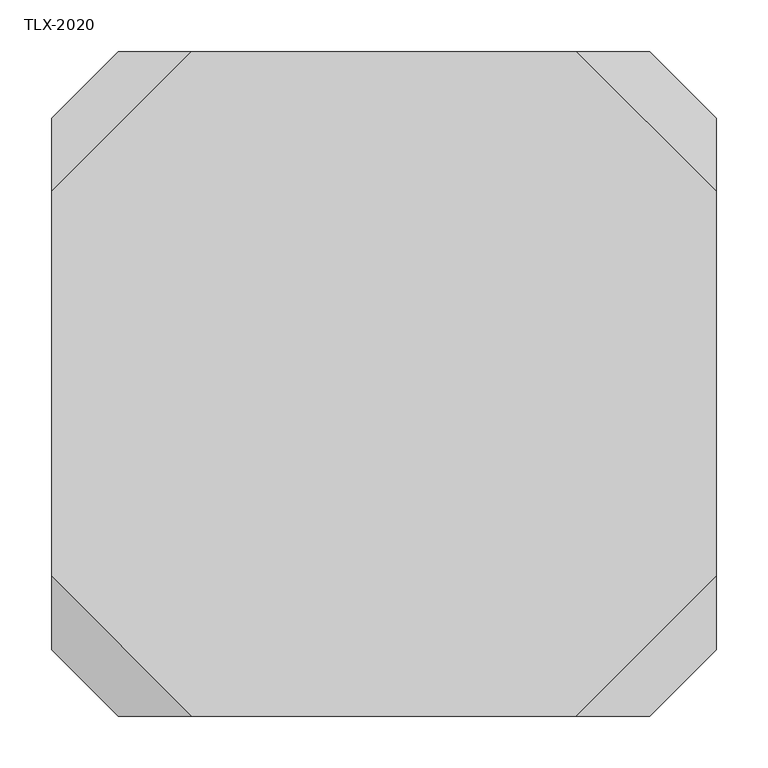
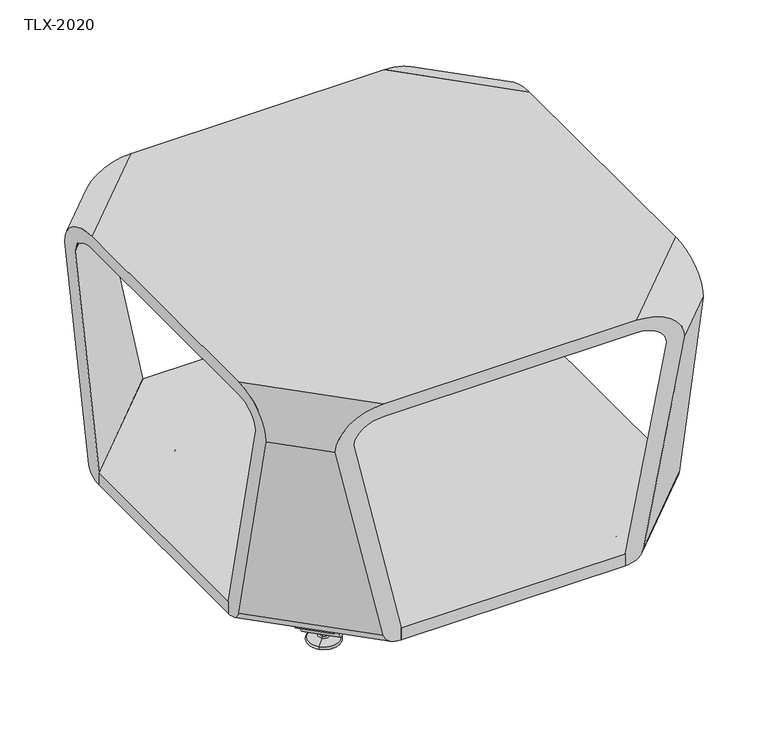
"""IFC4 building model written with IfcOpenShell, lengths in millimetres: furniture geometry, TLX-2020."""

from ifc_helpers import new_model, si_unit, point, frame, frame_2d, origin, place, context, project, spatial, polyline, circle_curve, ellipse_curve, trimmed, segment, composite_curve, outline, extrude, source, transform, mapped, element, save
from ifc_brep_helpers import plane_surface, cylinder_surface, revolved_surface, advanced_brep


def tlx_2020_4e69cbd5(model_context):
    return source(origin(), model_context, "Body", "SolidModel", [
        advanced_brep(
        [(239.0054742, 315.0121224, 7.8133431), (232.2702821, 308.2769303, 7.8133431), (229.9834824, 305.9901306, 7.8133431), (241.2922739, 317.2989221, 7.8133431), (220.1247494, 296.1313976, 4.0775), (251.1510069, 327.1576551, 4.0775), (220.4150529, 296.4217012, 0.0), (250.8607033, 326.8673516, 0.0), (235.6378781, 311.6445264, 0.0), (235.6378781, 311.6445264, 50.0000004), (232.2702821, 308.2769303, 50.0000004), (239.0054742, 315.0121224, 50.0000004)],
        [
            (0, 1, circle_curve(frame((235.6378781, 311.6445264, 7.8133431), z_axis=(0.0, 0.0, -1.0), x_axis=(-0.7071067811865458, -0.7071067811865493, 0.0)), 4.7625)),
            (1, 2),
            (2, 3, circle_curve(frame((235.6378781, 311.6445264, 7.8133431), z_axis=(0.0, 0.0, 1.0), x_axis=(-0.7071067811865458, -0.7071067811865493, 0.0)), 7.9965232)),
            (3, 0),
            (1, 0, circle_curve(frame((235.6378781, 311.6445264, 7.8133431), z_axis=(0.0, 0.0, -1.0), x_axis=(-0.7071067811865458, -0.7071067811865493, 0.0)), 4.7625)),
            (3, 2, circle_curve(frame((235.6378781, 311.6445264, 7.8133431), z_axis=(0.0, 0.0, 1.0), x_axis=(-0.7071067811865458, -0.7071067811865493, 0.0)), 7.9965232)),
            (2, 4),
            (4, 5, circle_curve(frame((235.6378781, 311.6445264, 4.0775), z_axis=(0.0, 0.0, 1.0), x_axis=(-0.7071067811865458, -0.7071067811865493, 0.0)), 21.9388771)),
            (5, 3),
            (5, 4, circle_curve(frame((235.6378781, 311.6445264, 4.0775), z_axis=(0.0, 0.0, 1.0), x_axis=(-0.7071067811865458, -0.7071067811865493, 0.0)), 21.9388771)),
            (4, 6, circle_curve(frame((220.5046942, 296.5113425, 2.0721829), z_axis=(0.7071067811865493, -0.7071067811865458, 0.0), x_axis=(0.7071067811865458, 0.7071067811865493, 0.0)), 2.0760571)),
            (6, 7, circle_curve(frame((235.6378781, 311.6445264, 0.0), z_axis=(0.0, 0.0, 1.0), x_axis=(-0.7071067811865458, -0.7071067811865493, 0.0)), 21.5283258)),
            (7, 5, circle_curve(frame((250.771062, 326.7777103, 2.0721829), z_axis=(0.707106781186547, -0.7071067811865481, 0.0), x_axis=(-0.7071067811865481, -0.707106781186547, 0.0)), 2.0760571)),
            (7, 6, circle_curve(frame((235.6378781, 311.6445264, 0.0), z_axis=(0.0, 0.0, 1.0), x_axis=(-0.7071067811865458, -0.7071067811865493, 0.0)), 21.5283258)),
            (6, 8),
            (8, 7),
            (9, 10),
            (10, 11, circle_curve(frame((235.6378781, 311.6445264, 50.0000004), z_axis=(0.0, 0.0, 1.0), x_axis=(-0.7071067811865458, -0.7071067811865493, 0.0)), 4.7625)),
            (11, 9),
            (11, 10, circle_curve(frame((235.6378781, 311.6445264, 50.0000004), z_axis=(0.0, 0.0, 1.0), x_axis=(-0.7071067811865458, -0.7071067811865493, 0.0)), 4.7625)),
            (10, 1),
            (0, 11),
        ],
        [
            plane_surface(frame((235.6378781, 311.6445264, 7.8133431), z_axis=(0.0, 0.0, 1.0), x_axis=(-0.7071067811865458, -0.7071067811865493, 0.0))),
            revolved_surface(polyline([(220.1247494, 296.1313976, 4.0775), (229.9834824, 305.9901306, 7.8133431)]), (235.6378781, 311.6445264, 0.0), (0.0, 0.0, 1.0)),
            revolved_surface(trimmed(ellipse_curve(frame((220.5046942, 296.5113425, 2.0721829), z_axis=(-0.7071067811865493, 0.7071067811865458, 0.0), x_axis=(0.7071067811865458, 0.7071067811865493, 0.0)), 2.0760571, 2.0760571), [point((220.4150529, 296.4217012, 0.0))], [point((220.1247494, 296.1313976, 4.0775))], True, "CARTESIAN"), (235.6378781, 311.6445264, 0.0), (0.0, 0.0, 1.0)),
            plane_surface(frame((235.6378781, 311.6445264, 0.0), z_axis=(0.0, 0.0, -1.0), x_axis=(-0.7071067811865458, -0.7071067811865493, 0.0))),
            plane_surface(frame((235.6378781, 311.6445264, 50.0000004), z_axis=(0.0, 0.0, 1.0), x_axis=(-0.7071067811865458, -0.7071067811865493, 0.0))),
            cylinder_surface(frame((235.6378781, 311.6445264, 0.0), z_axis=(0.0, 0.0, 1.0), x_axis=(-0.7071067811865458, -0.7071067811865493, 0.0)), 4.7625),
        ],
        [
            (0, [[1, 2, 3, 4]]),
            (0, [[5, -4, 6, -2]]),
            (1, [[-3, 7, 8, 9]]),
            (1, [[-6, -9, 10, -7]]),
            (2, [[-8, 11, 12, 13]]),
            (2, [[-10, -13, 14, -11]]),
            (3, [[-12, 15, 16]]),
            (3, [[-14, -16, -15]]),
            (4, [[17, 18, 19]]),
            (4, [[-19, 20, -17]]),
            (5, [[-18, 21, -1, 22]]),
            (5, [[-20, -22, -5, -21]]),
        ],
    ),
        extrude(outline(composite_curve([segment(polyline([(9.310002, 9.3100019), (9.310002, 19.1875394)]), True, "CONTINUOUS"), segment(trimmed(circle_curve(frame_2d((0.0, 19.1875394)), 9.310002), [point((9.310002, 19.1875394))], [point((0.7937553, 28.4636425))], True, "CARTESIAN"), True, "CONTINUOUS"), segment(polyline([(0.7937553, 28.4636425), (-6.9117032, 29.1229979)]), True, "CONTINUOUS"), segment(trimmed(circle_curve(frame_2d((-4.8241067, 43.9770199)), 15.000001), [point((-6.9117032, 29.1229979))], [point((-19.8241077, 43.9770199))], False, "CARTESIAN"), True, "CONTINUOUS"), segment(polyline([(-19.8241077, 43.9770199), (-19.8241077, 59.4425545), (-14.1341071, 59.4425545), (-14.1341071, 43.9770213)]), True, "CONTINUOUS"), segment(trimmed(circle_curve(frame_2d((-4.8241051, 43.9770213)), 9.310002), [point((-14.1341071, 43.9770213))], [point((-6.1198051, 34.7576234))], True, "CARTESIAN"), True, "CONTINUOUS"), segment(polyline([(-6.1198051, 34.7576234), (1.7775308, 34.0818491)]), True, "CONTINUOUS"), segment(trimmed(circle_curve(frame_2d((1.6e-06, 19.1875408)), 15.000001), [point((1.7775308, 34.0818491))], [point((15.0000026, 19.1875408))], False, "CARTESIAN"), True, "CONTINUOUS"), segment(polyline([(15.0000026, 19.1875408), (15.0000026, 9.3100005)]), True, "CONTINUOUS"), segment(trimmed(circle_curve(frame_2d((1.6e-06, 9.3100005)), 15.000001), [point((15.0000026, 9.3100005))], [point((1.7775308, -5.5843078))], False, "CARTESIAN"), True, "CONTINUOUS"), segment(polyline([(1.7775308, -5.5843078), (-6.1198051, -6.2600821)]), True, "CONTINUOUS"), segment(trimmed(circle_curve(frame_2d((-4.8241051, -15.47948)), 9.310002), [point((-6.1198051, -6.2600821))], [point((-14.1341071, -15.47948))], True, "CARTESIAN"), True, "CONTINUOUS"), segment(polyline([(-14.1341071, -15.47948), (-14.1341071, -30.9450132), (-19.8241077, -30.9450132), (-19.8241077, -15.4794786)]), True, "CONTINUOUS"), segment(trimmed(circle_curve(frame_2d((-4.8241067, -15.4794786)), 15.000001), [point((-19.8241077, -15.4794786))], [point((-6.9117032, -0.6254566))], False, "CARTESIAN"), True, "CONTINUOUS"), segment(polyline([(-6.9117032, -0.6254566), (0.7937553, 0.0338988)]), True, "CONTINUOUS"), segment(trimmed(circle_curve(frame_2d((0.0, 9.3100019)), 9.310002), [point((0.7937553, 0.0338988))], [point((9.310002, 9.3100019))], True, "CARTESIAN"), True, "CONTINUOUS")], self_intersect=False)), frame((263.6737927, 303.7594165, 30.0000023), z_axis=(-0.7071067811865467, 0.7071067811865483, 0.0), x_axis=(0.0, 0.0, -1.0)), (0.0, 0.0, 1.0), 50.8),
        advanced_brep(
        [(647.7690762, 317.2989221, 7.8133431), (659.0778677, 305.9901306, 7.8133431), (656.791068, 308.2769303, 7.8133431), (650.0558759, 315.0121224, 7.8133431), (637.9103432, 327.1576551, 4.0775), (668.9366007, 296.1313976, 4.0775), (638.2006468, 326.8673516, 0.0), (668.6462971, 296.4217012, 0.0), (653.4234719, 311.6445264, 0.0), (650.0558759, 315.0121224, 50.0000004), (656.791068, 308.2769303, 50.0000004), (653.4234719, 311.6445264, 50.0000004)],
        [
            (0, 1, circle_curve(frame((653.4234719, 311.6445264, 7.8133431), z_axis=(0.0, 0.0, 1.0), x_axis=(0.7071067811865458, -0.7071067811865493, 0.0)), 7.9965232)),
            (1, 2),
            (2, 3, circle_curve(frame((653.4234719, 311.6445264, 7.8133431), z_axis=(0.0, 0.0, -1.0), x_axis=(0.7071067811865458, -0.7071067811865493, 0.0)), 4.7625)),
            (3, 0),
            (1, 0, circle_curve(frame((653.4234719, 311.6445264, 7.8133431), z_axis=(0.0, 0.0, 1.0), x_axis=(0.7071067811865458, -0.7071067811865493, 0.0)), 7.9965232)),
            (3, 2, circle_curve(frame((653.4234719, 311.6445264, 7.8133431), z_axis=(0.0, 0.0, -1.0), x_axis=(0.7071067811865458, -0.7071067811865493, 0.0)), 4.7625)),
            (4, 5, circle_curve(frame((653.4234719, 311.6445264, 4.0775), z_axis=(0.0, 0.0, 1.0), x_axis=(0.7071067811865458, -0.7071067811865493, 0.0)), 21.9388771)),
            (5, 1),
            (0, 4),
            (5, 4, circle_curve(frame((653.4234719, 311.6445264, 4.0775), z_axis=(0.0, 0.0, 1.0), x_axis=(0.7071067811865458, -0.7071067811865493, 0.0)), 21.9388771)),
            (6, 7, circle_curve(frame((653.4234719, 311.6445264, 0.0), z_axis=(0.0, 0.0, 1.0), x_axis=(0.7071067811865458, -0.7071067811865493, 0.0)), 21.5283258)),
            (7, 5, circle_curve(frame((668.5566558, 296.5113425, 2.0721829), z_axis=(-0.7071067811865493, -0.7071067811865458, 0.0), x_axis=(-0.7071067811865458, 0.7071067811865493, 0.0)), 2.0760571)),
            (4, 6, circle_curve(frame((638.2902881, 326.7777103, 2.0721829), z_axis=(-0.707106781186547, -0.7071067811865481, 0.0), x_axis=(0.7071067811865481, -0.707106781186547, 0.0)), 2.0760571)),
            (7, 6, circle_curve(frame((653.4234719, 311.6445264, 0.0), z_axis=(0.0, 0.0, 1.0), x_axis=(0.7071067811865458, -0.7071067811865493, 0.0)), 21.5283258)),
            (8, 7),
            (6, 8),
            (9, 10, circle_curve(frame((653.4234719, 311.6445264, 50.0000004), z_axis=(0.0, 0.0, 1.0), x_axis=(0.7071067811865458, -0.7071067811865493, 0.0)), 4.7625)),
            (10, 11),
            (11, 9),
            (10, 9, circle_curve(frame((653.4234719, 311.6445264, 50.0000004), z_axis=(0.0, 0.0, 1.0), x_axis=(0.7071067811865458, -0.7071067811865493, 0.0)), 4.7625)),
            (2, 10),
            (9, 3),
        ],
        [
            plane_surface(frame((653.4234719, 311.6445264, 7.8133431), z_axis=(0.0, 0.0, 1.0), x_axis=(0.7071067811865458, -0.7071067811865493, 0.0))),
            revolved_surface(polyline([(659.0778677, 305.9901306, 7.8133431), (668.9366007, 296.1313976, 4.0775)]), (653.4234719, 311.6445264, 0.0), (0.0, 0.0, -1.0)),
            revolved_surface(trimmed(ellipse_curve(frame((668.5566558, 296.5113425, 2.0721829), z_axis=(0.7071067811865493, 0.7071067811865458, 0.0), x_axis=(-0.7071067811865458, 0.7071067811865493, 0.0)), 2.0760571, 2.0760571), [point((668.9366007, 296.1313976, 4.0775))], [point((668.6462971, 296.4217012, 0.0))], True, "CARTESIAN"), (653.4234719, 311.6445264, 0.0), (0.0, 0.0, -1.0)),
            plane_surface(frame((653.4234719, 311.6445264, 0.0), z_axis=(0.0, 0.0, -1.0), x_axis=(0.7071067811865458, -0.7071067811865493, 0.0))),
            plane_surface(frame((653.4234719, 311.6445264, 50.0000004), z_axis=(0.0, 0.0, 1.0), x_axis=(0.7071067811865458, -0.7071067811865493, 0.0))),
            cylinder_surface(frame((653.4234719, 311.6445264, 0.0), z_axis=(0.0, 0.0, -1.0), x_axis=(0.7071067811865458, -0.7071067811865493, 0.0)), 4.7625),
        ],
        [
            (0, [[1, 2, 3, 4]]),
            (0, [[5, -4, 6, -2]]),
            (1, [[7, 8, -1, 9]]),
            (1, [[10, -9, -5, -8]]),
            (2, [[11, 12, -7, 13]]),
            (2, [[14, -13, -10, -12]]),
            (3, [[15, -11, 16]]),
            (3, [[-16, -14, -15]]),
            (4, [[17, 18, 19]]),
            (4, [[20, -19, -18]]),
            (5, [[-3, 21, -17, 22]]),
            (5, [[-6, -22, -20, -21]]),
        ],
    ),
        extrude(outline(composite_curve([segment(trimmed(circle_curve(frame_2d((-42.6726288, 9.310002)), 9.310002), [point((-42.6726288, 0.0))], [point((-33.3965256, 8.5162467))], True, "CARTESIAN"), True, "CONTINUOUS"), segment(polyline([(-33.3965256, 8.5162467), (-32.7371703, 16.2217052)]), True, "CONTINUOUS"), segment(trimmed(circle_curve(frame_2d((-17.8831482, 14.1341087)), 15.000001), [point((-32.7371703, 16.2217052))], [point((-17.8831482, 29.1341097))], False, "CARTESIAN"), True, "CONTINUOUS"), segment(polyline([(-17.8831482, 29.1341097), (-2.4176136, 29.1341097), (-2.4176136, 23.4441091), (-17.8831468, 23.4441091)]), True, "CONTINUOUS"), segment(trimmed(circle_curve(frame_2d((-17.8831468, 14.1341071)), 9.310002), [point((-17.8831468, 23.4441091))], [point((-27.1025448, 15.4298071))], True, "CARTESIAN"), True, "CONTINUOUS"), segment(polyline([(-27.1025448, 15.4298071), (-27.7783191, 7.5324712)]), True, "CONTINUOUS"), segment(trimmed(circle_curve(frame_2d((-42.6726274, 9.3100004)), 15.000001), [point((-27.7783191, 7.5324712))], [point((-42.6726274, -5.6900006))], False, "CARTESIAN"), True, "CONTINUOUS"), segment(polyline([(-42.6726274, -5.6900006), (-52.5501676, -5.6900006)]), True, "CONTINUOUS"), segment(trimmed(circle_curve(frame_2d((-52.5501676, 9.3100004)), 15.000001), [point((-52.5501676, -5.6900006))], [point((-67.4444759, 7.5324712))], False, "CARTESIAN"), True, "CONTINUOUS"), segment(polyline([(-67.4444759, 7.5324712), (-68.1202502, 15.4298071)]), True, "CONTINUOUS"), segment(trimmed(circle_curve(frame_2d((-77.3396482, 14.1341071)), 9.310002), [point((-68.1202502, 15.4298071))], [point((-77.3396482, 23.4441091))], True, "CARTESIAN"), True, "CONTINUOUS"), segment(polyline([(-77.3396482, 23.4441091), (-92.8051814, 23.4441091), (-92.8051814, 29.1341097), (-77.3396468, 29.1341097)]), True, "CONTINUOUS"), segment(trimmed(circle_curve(frame_2d((-77.3396468, 14.1341087)), 15.000001), [point((-77.3396468, 29.1341097))], [point((-62.4856247, 16.2217052))], False, "CARTESIAN"), True, "CONTINUOUS"), segment(polyline([(-62.4856247, 16.2217052), (-61.8262693, 8.5162467)]), True, "CONTINUOUS"), segment(trimmed(circle_curve(frame_2d((-52.5501662, 9.310002)), 9.310002), [point((-61.8262693, 8.5162467))], [point((-52.5501662, 0.0))], True, "CARTESIAN"), True, "CONTINUOUS"), segment(polyline([(-52.5501662, 0.0), (-42.6726288, 0.0)]), True, "CONTINUOUS")], self_intersect=False)), frame((601.7966177, 327.3503562, 20.6900003), z_axis=(0.7071067811865468, 0.7071067811865483, 0.0), x_axis=(-0.7071067811865483, 0.7071067811865468, 0.0)), (0.0, 0.0, 1.0), 50.8),
        advanced_brep(
        [(650.0558759, 726.326946, 7.8133431), (656.791068, 733.0621381, 7.8133431), (659.0778677, 735.3489378, 7.8133431), (647.7690762, 724.0401463, 7.8133431), (668.9366007, 745.2076708, 4.0775), (637.9103432, 714.1814133, 4.0775), (668.6462971, 744.9173672, 0.0), (638.2006468, 714.4717169, 0.0), (653.4234719, 729.694542, 0.0), (653.4234719, 729.694542, 50.0000004), (656.791068, 733.0621381, 50.0000004), (650.0558759, 726.326946, 50.0000004)],
        [
            (0, 1, circle_curve(frame((653.4234719, 729.694542, 7.8133431), z_axis=(0.0, 0.0, -1.0), x_axis=(0.7071067811865458, 0.7071067811865493, 0.0)), 4.7625)),
            (1, 2),
            (2, 3, circle_curve(frame((653.4234719, 729.694542, 7.8133431), z_axis=(0.0, 0.0, 1.0), x_axis=(0.7071067811865458, 0.7071067811865493, 0.0)), 7.9965232)),
            (3, 0),
            (1, 0, circle_curve(frame((653.4234719, 729.694542, 7.8133431), z_axis=(0.0, 0.0, -1.0), x_axis=(0.7071067811865458, 0.7071067811865493, 0.0)), 4.7625)),
            (3, 2, circle_curve(frame((653.4234719, 729.694542, 7.8133431), z_axis=(0.0, 0.0, 1.0), x_axis=(0.7071067811865458, 0.7071067811865493, 0.0)), 7.9965232)),
            (2, 4),
            (4, 5, circle_curve(frame((653.4234719, 729.694542, 4.0775), z_axis=(0.0, 0.0, 1.0), x_axis=(0.7071067811865458, 0.7071067811865493, 0.0)), 21.9388771)),
            (5, 3),
            (5, 4, circle_curve(frame((653.4234719, 729.694542, 4.0775), z_axis=(0.0, 0.0, 1.0), x_axis=(0.7071067811865458, 0.7071067811865493, 0.0)), 21.9388771)),
            (4, 6, circle_curve(frame((668.5566558, 744.8277259, 2.0721829), z_axis=(-0.7071067811865493, 0.7071067811865458, 0.0), x_axis=(-0.7071067811865458, -0.7071067811865493, 0.0)), 2.0760571)),
            (6, 7, circle_curve(frame((653.4234719, 729.694542, 0.0), z_axis=(0.0, 0.0, 1.0), x_axis=(0.7071067811865458, 0.7071067811865493, 0.0)), 21.5283258)),
            (7, 5, circle_curve(frame((638.2902881, 714.5613582, 2.0721829), z_axis=(-0.707106781186547, 0.7071067811865481, 0.0), x_axis=(0.7071067811865481, 0.707106781186547, 0.0)), 2.0760571)),
            (7, 6, circle_curve(frame((653.4234719, 729.694542, 0.0), z_axis=(0.0, 0.0, 1.0), x_axis=(0.7071067811865458, 0.7071067811865493, 0.0)), 21.5283258)),
            (6, 8),
            (8, 7),
            (9, 10),
            (10, 11, circle_curve(frame((653.4234719, 729.694542, 50.0000004), z_axis=(0.0, 0.0, 1.0), x_axis=(0.7071067811865458, 0.7071067811865493, 0.0)), 4.7625)),
            (11, 9),
            (11, 10, circle_curve(frame((653.4234719, 729.694542, 50.0000004), z_axis=(0.0, 0.0, 1.0), x_axis=(0.7071067811865458, 0.7071067811865493, 0.0)), 4.7625)),
            (10, 1),
            (0, 11),
        ],
        [
            plane_surface(frame((653.4234719, 729.694542, 7.8133431), z_axis=(0.0, 0.0, 1.0), x_axis=(0.7071067811865458, 0.7071067811865493, 0.0))),
            revolved_surface(polyline([(668.9366007, 745.2076708, 4.0775), (659.0778677, 735.3489378, 7.8133431)]), (653.4234719, 729.694542, 0.0), (0.0, 0.0, 1.0)),
            revolved_surface(trimmed(ellipse_curve(frame((668.5566558, 744.8277259, 2.0721829), z_axis=(0.7071067811865493, -0.7071067811865458, 0.0), x_axis=(-0.7071067811865458, -0.7071067811865493, 0.0)), 2.0760571, 2.0760571), [point((668.6462971, 744.9173672, 0.0))], [point((668.9366007, 745.2076708, 4.0775))], True, "CARTESIAN"), (653.4234719, 729.694542, 0.0), (0.0, 0.0, 1.0)),
            plane_surface(frame((653.4234719, 729.694542, 0.0), z_axis=(0.0, 0.0, -1.0), x_axis=(0.7071067811865458, 0.7071067811865493, 0.0))),
            plane_surface(frame((653.4234719, 729.694542, 50.0000004), z_axis=(0.0, 0.0, 1.0), x_axis=(0.7071067811865458, 0.7071067811865493, 0.0))),
            cylinder_surface(frame((653.4234719, 729.694542, 0.0), z_axis=(0.0, 0.0, 1.0), x_axis=(0.7071067811865458, 0.7071067811865493, 0.0)), 4.7625),
        ],
        [
            (0, [[1, 2, 3, 4]]),
            (0, [[5, -4, 6, -2]]),
            (1, [[-3, 7, 8, 9]]),
            (1, [[-6, -9, 10, -7]]),
            (2, [[-8, 11, 12, 13]]),
            (2, [[-10, -13, 14, -11]]),
            (3, [[-12, 15, 16]]),
            (3, [[-14, -16, -15]]),
            (4, [[17, 18, 19]]),
            (4, [[-19, 20, -17]]),
            (5, [[-18, 21, -1, 22]]),
            (5, [[-20, -22, -5, -21]]),
        ],
    ),
        extrude(outline(composite_curve([segment(trimmed(circle_curve(frame_2d((0.0, 9.310002)), 9.310002), [point((-9.310002, 9.310002))], [point((-0.7937553, 0.0338988))], True, "CARTESIAN"), True, "CONTINUOUS"), segment(polyline([(-0.7937553, 0.0338988), (6.9117032, -0.6254565)]), True, "CONTINUOUS"), segment(trimmed(circle_curve(frame_2d((4.8241067, -15.4794786)), 15.000001), [point((6.9117032, -0.6254565))], [point((19.8241077, -15.4794786))], False, "CARTESIAN"), True, "CONTINUOUS"), segment(polyline([(19.8241077, -15.4794786), (19.8241077, -30.9450132), (14.1341071, -30.9450132), (14.1341071, -15.47948)]), True, "CONTINUOUS"), segment(trimmed(circle_curve(frame_2d((4.8241051, -15.47948)), 9.310002), [point((14.1341071, -15.47948))], [point((6.1198051, -6.260082))], True, "CARTESIAN"), True, "CONTINUOUS"), segment(polyline([(6.1198051, -6.260082), (-1.7775308, -5.5843077)]), True, "CONTINUOUS"), segment(trimmed(circle_curve(frame_2d((-1.6e-06, 9.3100007)), 15.000001), [point((-1.7775308, -5.5843077))], [point((-15.0000026, 9.3100007))], False, "CARTESIAN"), True, "CONTINUOUS"), segment(polyline([(-15.0000026, 9.3100007), (-15.0000026, 19.1875408)]), True, "CONTINUOUS"), segment(trimmed(circle_curve(frame_2d((-1.6e-06, 19.1875408)), 15.000001), [point((-15.0000026, 19.1875408))], [point((-1.7775308, 34.0818492))], False, "CARTESIAN"), True, "CONTINUOUS"), segment(polyline([(-1.7775308, 34.0818492), (6.1198051, 34.7576234)]), True, "CONTINUOUS"), segment(trimmed(circle_curve(frame_2d((4.8241051, 43.9770214)), 9.310002), [point((6.1198051, 34.7576234))], [point((14.1341071, 43.9770214))], True, "CARTESIAN"), True, "CONTINUOUS"), segment(polyline([(14.1341071, 43.9770214), (14.1341071, 59.4425547), (19.8241077, 59.4425547), (19.8241077, 43.9770201)]), True, "CONTINUOUS"), segment(trimmed(circle_curve(frame_2d((4.8241067, 43.9770201)), 15.000001), [point((19.8241077, 43.9770201))], [point((6.9117032, 29.1229979))], False, "CARTESIAN"), True, "CONTINUOUS"), segment(polyline([(6.9117032, 29.1229979), (-0.7937553, 28.4636426)]), True, "CONTINUOUS"), segment(trimmed(circle_curve(frame_2d((0.0, 19.1875394)), 9.310002), [point((-0.7937553, 28.4636426))], [point((-9.310002, 19.1875394))], True, "CARTESIAN"), True, "CONTINUOUS"), segment(polyline([(-9.310002, 19.1875394), (-9.310002, 9.310002)]), True, "CONTINUOUS")], self_intersect=False)), frame((661.3085818, 701.6586274, 30.0000023), z_axis=(-0.7071067811865467, 0.7071067811865483, 0.0), x_axis=(0.0, 0.0, 1.0)), (0.0, 0.0, 1.0), 50.8),
        advanced_brep(
        [(241.2922739, 724.0401463, 7.8133431), (229.9834824, 735.3489378, 7.8133431), (232.2702821, 733.0621381, 7.8133431), (239.0054742, 726.326946, 7.8133431), (251.1510069, 714.1814133, 4.0775), (220.1247494, 745.2076708, 4.0775), (250.8607033, 714.4717169, 0.0), (220.4150529, 744.9173672, 0.0), (235.6378781, 729.694542, 0.0), (239.0054742, 726.326946, 50.0000004), (232.2702821, 733.0621381, 50.0000004), (235.6378781, 729.694542, 50.0000004)],
        [
            (0, 1, circle_curve(frame((235.6378781, 729.694542, 7.8133431), z_axis=(0.0, 0.0, 1.0), x_axis=(-0.7071067811865458, 0.7071067811865493, 0.0)), 7.9965232)),
            (1, 2),
            (2, 3, circle_curve(frame((235.6378781, 729.694542, 7.8133431), z_axis=(0.0, 0.0, -1.0), x_axis=(-0.7071067811865458, 0.7071067811865493, 0.0)), 4.7625)),
            (3, 0),
            (1, 0, circle_curve(frame((235.6378781, 729.694542, 7.8133431), z_axis=(0.0, 0.0, 1.0), x_axis=(-0.7071067811865458, 0.7071067811865493, 0.0)), 7.9965232)),
            (3, 2, circle_curve(frame((235.6378781, 729.694542, 7.8133431), z_axis=(0.0, 0.0, -1.0), x_axis=(-0.7071067811865458, 0.7071067811865493, 0.0)), 4.7625)),
            (4, 5, circle_curve(frame((235.6378781, 729.694542, 4.0775), z_axis=(0.0, 0.0, 1.0), x_axis=(-0.7071067811865458, 0.7071067811865493, 0.0)), 21.9388771)),
            (5, 1),
            (0, 4),
            (5, 4, circle_curve(frame((235.6378781, 729.694542, 4.0775), z_axis=(0.0, 0.0, 1.0), x_axis=(-0.7071067811865458, 0.7071067811865493, 0.0)), 21.9388771)),
            (6, 7, circle_curve(frame((235.6378781, 729.694542, 0.0), z_axis=(0.0, 0.0, 1.0), x_axis=(-0.7071067811865458, 0.7071067811865493, 0.0)), 21.5283258)),
            (7, 5, circle_curve(frame((220.5046942, 744.8277259, 2.0721829), z_axis=(0.7071067811865493, 0.7071067811865458, 0.0), x_axis=(0.7071067811865458, -0.7071067811865493, 0.0)), 2.0760571)),
            (4, 6, circle_curve(frame((250.771062, 714.5613582, 2.0721829), z_axis=(0.707106781186547, 0.7071067811865481, 0.0), x_axis=(-0.7071067811865481, 0.707106781186547, 0.0)), 2.0760571)),
            (7, 6, circle_curve(frame((235.6378781, 729.694542, 0.0), z_axis=(0.0, 0.0, 1.0), x_axis=(-0.7071067811865458, 0.7071067811865493, 0.0)), 21.5283258)),
            (8, 7),
            (6, 8),
            (9, 10, circle_curve(frame((235.6378781, 729.694542, 50.0000004), z_axis=(0.0, 0.0, 1.0), x_axis=(-0.7071067811865458, 0.7071067811865493, 0.0)), 4.7625)),
            (10, 11),
            (11, 9),
            (10, 9, circle_curve(frame((235.6378781, 729.694542, 50.0000004), z_axis=(0.0, 0.0, 1.0), x_axis=(-0.7071067811865458, 0.7071067811865493, 0.0)), 4.7625)),
            (2, 10),
            (9, 3),
        ],
        [
            plane_surface(frame((235.6378781, 729.694542, 7.8133431), z_axis=(0.0, 0.0, 1.0), x_axis=(-0.7071067811865458, 0.7071067811865493, 0.0))),
            revolved_surface(polyline([(229.9834824, 735.3489378, 7.8133431), (220.1247494, 745.2076708, 4.0775)]), (235.6378781, 729.694542, 0.0), (0.0, 0.0, -1.0)),
            revolved_surface(trimmed(ellipse_curve(frame((220.5046942, 744.8277259, 2.0721829), z_axis=(-0.7071067811865493, -0.7071067811865458, 0.0), x_axis=(0.7071067811865458, -0.7071067811865493, 0.0)), 2.0760571, 2.0760571), [point((220.1247494, 745.2076708, 4.0775))], [point((220.4150529, 744.9173672, 0.0))], True, "CARTESIAN"), (235.6378781, 729.694542, 0.0), (0.0, 0.0, -1.0)),
            plane_surface(frame((235.6378781, 729.694542, 0.0), z_axis=(0.0, 0.0, -1.0), x_axis=(-0.7071067811865458, 0.7071067811865493, 0.0))),
            plane_surface(frame((235.6378781, 729.694542, 50.0000004), z_axis=(0.0, 0.0, 1.0), x_axis=(-0.7071067811865458, 0.7071067811865493, 0.0))),
            cylinder_surface(frame((235.6378781, 729.694542, 0.0), z_axis=(0.0, 0.0, -1.0), x_axis=(-0.7071067811865458, 0.7071067811865493, 0.0)), 4.7625),
        ],
        [
            (0, [[1, 2, 3, 4]]),
            (0, [[5, -4, 6, -2]]),
            (1, [[7, 8, -1, 9]]),
            (1, [[10, -9, -5, -8]]),
            (2, [[11, 12, -7, 13]]),
            (2, [[14, -13, -10, -12]]),
            (3, [[15, -11, 16]]),
            (3, [[-16, -14, -15]]),
            (4, [[17, 18, 19]]),
            (4, [[20, -19, -18]]),
            (5, [[-3, 21, -17, 22]]),
            (5, [[-6, -22, -20, -21]]),
        ],
    ),
        extrude(outline(composite_curve([segment(polyline([(42.6726288, 0.0), (52.5501662, 0.0)]), True, "CONTINUOUS"), segment(trimmed(circle_curve(frame_2d((52.5501662, 9.310002)), 9.310002), [point((52.5501662, 0.0))], [point((61.8262693, 8.5162467))], True, "CARTESIAN"), True, "CONTINUOUS"), segment(polyline([(61.8262693, 8.5162467), (62.4856247, 16.2217052)]), True, "CONTINUOUS"), segment(trimmed(circle_curve(frame_2d((77.3396468, 14.1341087)), 15.000001), [point((62.4856247, 16.2217052))], [point((77.3396468, 29.1341097))], False, "CARTESIAN"), True, "CONTINUOUS"), segment(polyline([(77.3396468, 29.1341097), (92.8051814, 29.1341097), (92.8051814, 23.4441091), (77.3396482, 23.4441091)]), True, "CONTINUOUS"), segment(trimmed(circle_curve(frame_2d((77.3396482, 14.1341071)), 9.310002), [point((77.3396482, 23.4441091))], [point((68.1202502, 15.4298071))], True, "CARTESIAN"), True, "CONTINUOUS"), segment(polyline([(68.1202502, 15.4298071), (67.444476, 7.5324712)]), True, "CONTINUOUS"), segment(trimmed(circle_curve(frame_2d((52.5501675, 9.3100004)), 15.000001), [point((67.444476, 7.5324712))], [point((52.5501675, -5.6900006))], False, "CARTESIAN"), True, "CONTINUOUS"), segment(polyline([(52.5501675, -5.6900006), (42.6726274, -5.6900006)]), True, "CONTINUOUS"), segment(trimmed(circle_curve(frame_2d((42.6726274, 9.3100004)), 15.000001), [point((42.6726274, -5.6900006))], [point((27.7783191, 7.5324712))], False, "CARTESIAN"), True, "CONTINUOUS"), segment(polyline([(27.7783191, 7.5324712), (27.1025448, 15.4298071)]), True, "CONTINUOUS"), segment(trimmed(circle_curve(frame_2d((17.8831468, 14.1341071)), 9.310002), [point((27.1025448, 15.4298071))], [point((17.8831468, 23.4441091))], True, "CARTESIAN"), True, "CONTINUOUS"), segment(polyline([(17.8831468, 23.4441091), (2.4176135, 23.4441091), (2.4176135, 29.1341097), (17.8831482, 29.1341097)]), True, "CONTINUOUS"), segment(trimmed(circle_curve(frame_2d((17.8831482, 14.1341087)), 15.000001), [point((17.8831482, 29.1341097))], [point((32.7371703, 16.2217052))], False, "CARTESIAN"), True, "CONTINUOUS"), segment(polyline([(32.7371703, 16.2217052), (33.3965256, 8.5162467)]), True, "CONTINUOUS"), segment(trimmed(circle_curve(frame_2d((42.6726288, 9.310002)), 9.310002), [point((33.3965256, 8.5162467))], [point((42.6726288, 0.0))], True, "CARTESIAN"), True, "CONTINUOUS")], self_intersect=False)), frame((251.3437079, 678.0676878, 20.6900003), z_axis=(0.7071067811865468, 0.7071067811865483, 0.0), x_axis=(-0.7071067811865483, 0.7071067811865468, 0.0)), (0.0, 0.0, 1.0), 50.8),
        extrude(outline(polyline([(123.855675, 689.2395615), (275.9606478, 841.3445342), (613.1005146, 841.3445342), (765.205675, 689.2393738), (765.205675, 352.0996981), (613.1005112, 199.9945342), (284.7619726, 199.9945342), (123.855675, 360.9008317), (123.855675, 689.2395615)])), frame((0.0, 0.0, 50.0000004), z_axis=(0.0, 0.0, 1.0), x_axis=(1.0, 0.0, 0.0)), (0.0, 0.0, 1.0), 18.9999985),
        advanced_brep(
        [(765.205675, 334.8572138, 406.0000002), (765.205675, 291.0478966, 376.1711523), (674.1523126, 199.9945342, 376.1711523), (630.3429954, 199.9945342, 406.0000002), (765.205675, 352.0995843, 68.9999989), (613.1006249, 199.9945342, 68.9999989), (765.205675, 352.0996207, 50.0000004), (613.1005886, 199.9945342, 50.0000004), (765.205675, 325.4910341, 66.3557108), (639.7091752, 199.9945342, 66.3557108), (765.205675, 264.1464863, 375.0000029), (701.0537229, 199.9945342, 375.0000029), (765.205675, 334.8572138, 425.45), (630.3429954, 199.9945342, 425.45), (258.7183546, 199.9945342, 425.45), (188.0076271, 199.9945342, 375.0000029), (258.153386, 199.9945342, 66.3557108), (284.7619726, 199.9945342, 49.9999749), (284.7619726, 199.9945342, 68.9999989), (214.9090374, 199.9945342, 376.1711523), (258.7183546, 199.9945342, 406.0000002), (765.205675, 706.4818546, 406.0000002), (765.205675, 750.2911718, 376.1711523), (765.205675, 689.2394841, 68.9999989), (765.205675, 689.2394478, 50.0000004), (765.205675, 715.8480344, 66.3557108), (765.205675, 777.1925821, 375.0000029), (765.205675, 706.4818546, 425.45), (123.855675, 291.0478966, 376.1711523), (123.855675, 334.8572138, 406.0000002), (123.855675, 360.9008317, 68.9999989), (123.855675, 360.9008317, 49.9999749), (123.855675, 334.2922451, 66.3557108), (123.855675, 264.1464863, 375.0000029), (123.855675, 334.8572138, 425.45), (123.855675, 706.4818546, 425.45), (123.855675, 777.1925821, 375.0000029), (123.855675, 715.8480344, 66.3557108), (123.855675, 689.2394478, 50.0000004), (123.855675, 689.2394841, 68.9999989), (123.855675, 750.2911718, 376.1711523), (123.855675, 706.4818546, 406.0000002), (630.3429954, 841.3445342, 425.45), (258.7183546, 841.3445342, 425.45), (258.7183557, 841.3445332, 406.0000002), (630.3429954, 841.3445342, 406.0000002), (674.1523126, 841.3445342, 376.1711523), (613.1006249, 841.3445342, 68.9999989), (613.1005886, 841.3445342, 50.0000004), (639.7091752, 841.3445342, 66.3557108), (701.0537229, 841.3445342, 375.0000029), (214.9090374, 841.3445342, 376.1711523), (275.9607252, 841.3445342, 68.9999989), (275.9607615, 841.3445342, 50.0000004), (249.3521749, 841.3445342, 66.3557108), (188.0076271, 841.3445342, 375.0000029)],
        [
            (0, 1, ellipse_curve(frame((765.205675, 334.8572159, 375.0000031), z_axis=(1.0, 0.0, 0.0), x_axis=(0.0, -1.0, 0.0)), 43.8406163, 30.9999971)),
            (1, 2),
            (2, 3, ellipse_curve(frame((630.3429934, 199.9945342, 375.0000031), z_axis=(0.0, -1.0, 0.0), x_axis=(-1.0, 0.0, 0.0)), 43.8406163, 30.9999971)),
            (3, 0),
            (1, 4),
            (4, 5),
            (5, 2),
            (4, 6),
            (6, 7),
            (7, 5),
            (6, 8, ellipse_curve(frame((765.205675, 352.0995948, 69.000001), z_axis=(-1.0, 0.0, 0.0), x_axis=(0.0, 1.0, 0.0)), 26.8700585, 19.0000006)),
            (8, 9),
            (9, 7, ellipse_curve(frame((613.1006145, 199.9945342, 69.000001), z_axis=(0.0, 1.0, 0.0), x_axis=(1.0, 0.0, 0.0)), 26.8700585, 19.0000006)),
            (8, 10),
            (10, 11),
            (11, 9),
            (10, 12, ellipse_curve(frame((765.205675, 335.695567, 374.8604405), z_axis=(-1.0, 0.0, 0.0), x_axis=(0.0, 1.0, 0.0)), 71.5493529, 50.5930326)),
            (12, 13),
            (13, 11, ellipse_curve(frame((629.5046423, 199.9945342, 374.8604405), z_axis=(0.0, 1.0, 0.0), x_axis=(1.0, 0.0, 0.0)), 71.5493529, 50.5930326)),
            (13, 14),
            (14, 15, ellipse_curve(frame((259.5567078, 199.9945342, 374.8604405), z_axis=(0.0, -1.0, 0.0), x_axis=(-1.0, 0.0, 0.0)), 71.5493529, 50.5930326)),
            (15, 16),
            (16, 17, ellipse_curve(frame((284.761983, 199.9945342, 69.000001), z_axis=(0.0, -1.0, 0.0), x_axis=(-1.0, 0.0, 0.0)), 26.8700945, 19.000026)),
            (17, 18),
            (18, 19),
            (19, 20, ellipse_curve(frame((258.7183567, 199.9945342, 375.0000031), z_axis=(0.0, 1.0, 0.0), x_axis=(1.0, 0.0, 0.0)), 43.8406163, 30.9999971)),
            (20, 3),
            (0, 21),
            (21, 22, ellipse_curve(frame((765.205675, 706.4818526, 375.0000031), z_axis=(-1.0, 0.0, 0.0), x_axis=(0.0, 1.0, 0.0)), 43.8406163, 30.9999971)),
            (22, 23),
            (23, 24),
            (24, 25, ellipse_curve(frame((765.205675, 689.2394737, 69.000001), z_axis=(1.0, 0.0, 0.0), x_axis=(0.0, -1.0, 0.0)), 26.8700585, 19.0000006)),
            (25, 26),
            (26, 27, ellipse_curve(frame((765.205675, 705.6435015, 374.8604405), z_axis=(1.0, 0.0, 0.0), x_axis=(0.0, -1.0, 0.0)), 71.5493529, 50.5930326)),
            (27, 12),
            (28, 29, ellipse_curve(frame((123.855675, 334.8572159, 375.0000031), z_axis=(-1.0, 0.0, 0.0), x_axis=(0.0, -1.0, 0.0)), 43.8406163, 30.9999971)),
            (29, 20),
            (19, 28),
            (30, 28),
            (18, 30),
            (31, 30),
            (17, 31),
            (32, 31, ellipse_curve(frame((123.855675, 360.9008422, 69.000001), z_axis=(1.0, 0.0, 0.0), x_axis=(0.0, 1.0, 0.0)), 26.8700945, 19.000026)),
            (16, 32),
            (33, 32),
            (15, 33),
            (34, 33, ellipse_curve(frame((123.855675, 335.695567, 374.8604405), z_axis=(1.0, 0.0, 0.0), x_axis=(0.0, 1.0, 0.0)), 71.5493529, 50.5930326)),
            (14, 34),
            (34, 35),
            (35, 36, ellipse_curve(frame((123.855675, 705.6435015, 374.8604405), z_axis=(-1.0, 0.0, 0.0), x_axis=(0.0, -1.0, 0.0)), 71.5493529, 50.5930326)),
            (36, 37),
            (37, 38, ellipse_curve(frame((123.855675, 689.2394737, 69.000001), z_axis=(-1.0, 0.0, 0.0), x_axis=(0.0, -1.0, 0.0)), 26.8700585, 19.0000006)),
            (38, 39),
            (39, 40),
            (40, 41, ellipse_curve(frame((123.855675, 706.4818526, 375.0000031), z_axis=(1.0, 0.0, 0.0), x_axis=(0.0, 1.0, 0.0)), 43.8406163, 30.9999971)),
            (41, 29),
            (27, 42),
            (42, 43),
            (43, 35),
            (41, 44),
            (44, 45),
            (45, 21),
            (45, 46, ellipse_curve(frame((630.3429934, 841.3445342, 375.0000031), z_axis=(0.0, 1.0, 0.0), x_axis=(-1.0, 0.0, 0.0)), 43.8406163, 30.9999971)),
            (46, 22),
            (46, 47),
            (47, 23),
            (47, 48),
            (48, 24),
            (48, 49, ellipse_curve(frame((613.1006145, 841.3445342, 69.000001), z_axis=(0.0, -1.0, 0.0), x_axis=(1.0, 0.0, 0.0)), 26.8700585, 19.0000006)),
            (49, 25),
            (49, 50),
            (50, 26),
            (50, 42, ellipse_curve(frame((629.5046423, 841.3445342, 374.8604405), z_axis=(0.0, -1.0, 0.0), x_axis=(1.0, 0.0, 0.0)), 71.5493529, 50.5930326)),
            (44, 51, ellipse_curve(frame((258.7183567, 841.3445342, 375.0000031), z_axis=(0.0, -1.0, 0.0), x_axis=(1.0, 0.0, 0.0)), 43.8406163, 30.9999971)),
            (51, 52),
            (52, 53),
            (53, 54, ellipse_curve(frame((275.9607356, 841.3445342, 69.000001), z_axis=(0.0, 1.0, 0.0), x_axis=(-1.0, 0.0, 0.0)), 26.8700585, 19.0000006)),
            (54, 55),
            (55, 43, ellipse_curve(frame((259.5567078, 841.3445342, 374.8604405), z_axis=(0.0, 1.0, 0.0), x_axis=(-1.0, 0.0, 0.0)), 71.5493529, 50.5930326)),
            (40, 51),
            (39, 52),
            (38, 53),
            (37, 54),
            (36, 55),
        ],
        [
            revolved_surface(polyline([(630.3429933661733, 156.15391793382682, 375.0000031), (809.0462913161731, 334.8572158838273, 375.0000031)]), (572.0507485, 141.7022894, 375.0000031), (-0.707106781186546, -0.7071067811865491, 0.0)),
            plane_surface(frame((814.8767357, 401.770645, 68.9999989), z_axis=(-0.7002252753679965, 0.7002252753679933, 0.13917301272743776), x_axis=(-0.7071067811865459, -0.7071067811865491, 0.0))),
            plane_surface(frame((814.8767175, 401.7706631, 50.0000004), z_axis=(-0.7071067811859026, 0.7071067811858995, 1.3522484888926165e-06), x_axis=(-0.707106781186546, -0.7071067811865491, 0.0))),
            cylinder_surface(frame((563.4295591, 150.3234788, 69.000001), z_axis=(0.707106781186546, 0.7071067811865491, 0.0), x_axis=(0.7071067811865491, -0.707106781186546, 0.0)), 19.0000006),
            plane_surface(frame((858.8532847, 357.794096, 375.0000029), z_axis=(0.7002252605744772, -0.7002252605744741, -0.13917316158949425), x_axis=(-0.707106781186546, -0.7071067811865491, 0.0))),
            cylinder_surface(frame((571.631573, 142.1214649, 374.8604405), z_axis=(0.707106781186546, 0.7071067811865491, 0.0), x_axis=(0.7071067811865491, -0.707106781186546, 0.0)), 50.5930326),
            plane_surface(frame((915.224425, 199.9945342, 476.25), z_axis=(0.0, -1.0, 0.0), x_axis=(0.0, 0.0, -1.0))),
            plane_surface(frame((765.205675, 916.3539092, 476.25), z_axis=(1.0, 0.0, 0.0), x_axis=(0.0, 0.0, -1.0))),
            revolved_surface(polyline([(258.7183567338267, 156.15391793382685, 375.0000031), (80.01505873382703, 334.85721593382726, 375.0000031)]), (317.0106016, 141.7022894, 375.0000031), (0.707106781186546, -0.7071067811865491, 0.0)),
            plane_surface(frame((43.6587705, 371.2448011, 376.1711523), z_axis=(0.6981384941053858, 0.6981384941053826, 0.15876172742992242), x_axis=(0.7071067811865459, -0.7071067811865491, 0.0))),
            plane_surface(frame((78.5852381, 406.1712687, 68.9999989), z_axis=(0.7071067811865492, 0.7071067811865458, 0.0), x_axis=(0.7071067811865458, -0.7071067811865492, 0.0))),
            cylinder_surface(frame((330.0324147, 154.7241025, 69.000001), z_axis=(-0.707106781186546, 0.7071067811865491, 0.0), x_axis=(-0.7071067811865491, -0.707106781186546, 0.0)), 19.000026),
            plane_surface(frame((65.2809448, 392.8669754, 66.3557108), z_axis=(-0.6981490657558722, -0.6981490657558691, -0.15866872397675041), x_axis=(0.707106781186546, -0.7071067811865491, 0.0))),
            cylinder_surface(frame((317.4297771, 142.1214649, 374.8604405), z_axis=(-0.707106781186546, 0.7071067811865491, 0.0), x_axis=(-0.7071067811865491, -0.707106781186546, 0.0)), 50.5930326),
            plane_surface(frame((123.855675, 124.9851592, 476.25), z_axis=(-1.0, 0.0, 0.0), x_axis=(0.0, 0.0, -1.0))),
            plane_surface(frame((75.3937446, 383.3191443, 425.45), z_axis=(0.0, 0.0, 1.0), x_axis=(0.7071067811865459, -0.7071067811865491, 0.0))),
            plane_surface(frame((75.3937446, 383.3191443, 406.0000002), z_axis=(0.0, 0.0, -1.0), x_axis=(-0.7071067811865459, 0.7071067811865491, 0.0))),
            revolved_surface(polyline([(630.3429934161734, 885.1851505161733, 375.0000031), (809.0462913161731, 706.4818526161728, 375.0000031)]), (572.0507485, 899.6367791, 375.0000031), (-0.707106781186546, 0.7071067811865491, 0.0)),
            plane_surface(frame((845.4025795, 670.0942673, 376.1711523), z_axis=(-0.7002252753679965, -0.7002252753679934, 0.13917301272743787), x_axis=(-0.707106781186546, 0.7071067811865491, 0.0))),
            plane_surface(frame((814.8767357, 639.5684235, 68.9999989), z_axis=(-0.7071067811859026, -0.7071067811858995, 1.352248489364839e-06), x_axis=(-0.707106781186546, 0.7071067811865491, 0.0))),
            cylinder_surface(frame((563.4295591, 891.0155896, 69.000001), z_axis=(0.707106781186546, -0.7071067811865491, 0.0), x_axis=(0.7071067811865491, 0.707106781186546, 0.0)), 19.0000006),
            plane_surface(frame((828.1810108, 652.8726986, 66.3557108), z_axis=(0.7002252605744773, 0.700225260574474, -0.13917316158949414), x_axis=(-0.7071067811865458, 0.7071067811865492, 0.0))),
            cylinder_surface(frame((571.631573, 899.2176035, 374.8604405), z_axis=(0.707106781186546, -0.7071067811865491, 0.0), x_axis=(0.7071067811865491, 0.707106781186546, 0.0)), 50.5930326),
            plane_surface(frame((48.8463, 841.3445342, 476.25), z_axis=(0.0, 1.0, 0.0), x_axis=(0.0, 0.0, -1.0))),
            revolved_surface(polyline([(258.71835668382664, 885.1851505161732, 375.0000031), (80.01505873382709, 706.4818525661728, 375.0000031)]), (317.0106016, 899.6367791, 375.0000031), (0.707106781186546, 0.7071067811865491, 0.0)),
            plane_surface(frame((74.1846144, 639.5684235, 68.9999989), z_axis=(0.7002252753679965, -0.7002252753679933, 0.13917301272743782), x_axis=(0.7071067811865459, 0.7071067811865491, 0.0))),
            plane_surface(frame((74.1846326, 639.5684053, 50.0000004), z_axis=(0.7071067811859026, -0.7071067811858994, 1.352248489364839e-06), x_axis=(0.7071067811865459, 0.7071067811865491, 0.0))),
            cylinder_surface(frame((325.631791, 891.0155896, 69.000001), z_axis=(-0.707106781186546, -0.7071067811865491, 0.0), x_axis=(-0.7071067811865491, 0.707106781186546, 0.0)), 19.0000006),
            plane_surface(frame((30.2080654, 683.5449725, 375.0000029), z_axis=(-0.7002252605744772, 0.7002252605744741, -0.1391731615894943), x_axis=(0.707106781186546, 0.7071067811865491, 0.0))),
            cylinder_surface(frame((317.4297771, 899.2176035, 374.8604405), z_axis=(-0.707106781186546, -0.7071067811865491, 0.0), x_axis=(-0.7071067811865491, 0.707106781186546, 0.0)), 50.5930326),
        ],
        [
            (0, [[1, 2, 3, 4]]),
            (1, [[5, 6, 7, -2]]),
            (2, [[8, 9, 10, -6]]),
            (3, [[11, 12, 13, -9]]),
            (4, [[14, 15, 16, -12]]),
            (5, [[17, 18, 19, -15]]),
            (6, [[-3, -7, -10, -13, -16, -19, 20, 21, 22, 23, 24, 25, 26, 27]]),
            (7, [[-1, 28, 29, 30, 31, 32, 33, 34, 35, -17, -14, -11, -8, -5]]),
            (8, [[36, 37, -26, 38]]),
            (9, [[39, -38, -25, 40]]),
            (10, [[41, -40, -24, 42]]),
            (11, [[43, -42, -23, 44]]),
            (12, [[45, -44, -22, 46]]),
            (13, [[47, -46, -21, 48]]),
            (14, [[-36, -39, -41, -43, -45, -47, 49, 50, 51, 52, 53, 54, 55, 56]]),
            (15, [[-20, -18, -35, 57, 58, 59, -49, -48]]),
            (16, [[-56, 60, 61, 62, -28, -4, -27, -37]]),
            (17, [[-29, -62, 63, 64]]),
            (18, [[-30, -64, 65, 66]]),
            (19, [[-31, -66, 67, 68]]),
            (20, [[-32, -68, 69, 70]]),
            (21, [[-33, -70, 71, 72]]),
            (22, [[-34, -72, 73, -57]]),
            (23, [[-63, -61, 74, 75, 76, 77, 78, 79, -58, -73, -71, -69, -67, -65]]),
            (24, [[-55, 80, -74, -60]]),
            (25, [[-54, 81, -75, -80]]),
            (26, [[-53, 82, -76, -81]]),
            (27, [[-52, 83, -77, -82]]),
            (28, [[-51, 84, -78, -83]]),
            (29, [[-50, -59, -79, -84]]),
        ],
    ),
    ])


if __name__ == "__main__":
    model = new_model("IFC4")
    model_context = context("Model", 3, world=origin())
    ifc_project = project(units=[si_unit("LENGTHUNIT", "METRE", prefix="MILLI")], contexts=[model_context])
    site = spatial("IfcSite", under=ifc_project)
    building = spatial("IfcBuilding", under=site)
    placement = place(None, origin())
    tlx_2020_shape = tlx_2020_4e69cbd5(model_context)
    element("IfcFurniture", 1, ObjectType="TLX-2020", at=placement, inside=building, context=model_context, shape_type="MappedRepresentation", body=[
        mapped(tlx_2020_shape, transform((0.0, 0.0, 0.0), x_axis=(1.0, 0.0, 0.0), y_axis=(0.0, 1.0, 0.0), z_axis=(0.0, 0.0, 1.0))),
    ])
    save(model, "model.ifc")
